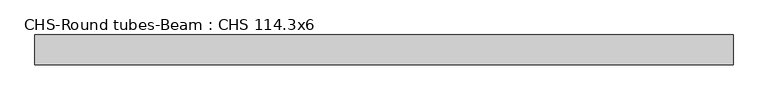
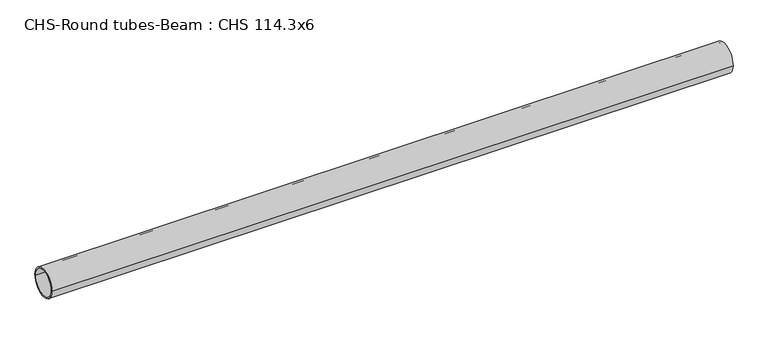
"""IFC4 building model written with IfcOpenShell, lengths in millimetres: beam geometry, CHS-Round tubes-Beam : CHS 114.3x6."""

from ifc_helpers import new_model, si_unit, point, frame, origin, origin_2d, place, context, project, spatial, circle_curve, trimmed, segment, composite_curve, outline, extrude, source, transform, mapped, element, save


def chs_round_tubes_beam_chs_114_3x6_4bb00583(model_context):
    return source(origin(), model_context, "Body", "SweptSolid", [
        extrude(outline(composite_curve([segment(trimmed(circle_curve(origin_2d(), 57.15), [point((57.15, 0.0))], [point((-57.15, 0.0))], False, "CARTESIAN"), True, "CONTINUOUS"), segment(trimmed(circle_curve(origin_2d(), 57.15), [point((-57.15, 0.0))], [point((57.15, 0.0))], False, "CARTESIAN"), True, "CONTINUOUS")], self_intersect=False), holes=[composite_curve([segment(trimmed(circle_curve(origin_2d(), 51.15), [point((51.15, 0.0))], [point((-51.15, 0.0))], True, "CARTESIAN"), True, "CONTINUOUS"), segment(trimmed(circle_curve(origin_2d(), 51.15), [point((-51.15, 0.0))], [point((51.15, 0.0))], True, "CARTESIAN"), True, "CONTINUOUS")], self_intersect=False)]), frame((-1293.602622, 0.0, 0.0), z_axis=(1.0, 0.0, 0.0), x_axis=(0.0, 1.0, 0.0)), (0.0, 0.0, 1.0), 2662.0327013),
    ])


if __name__ == "__main__":
    model = new_model("IFC4")
    model_context = context("Model", 3, world=origin())
    ifc_project = project(units=[si_unit("LENGTHUNIT", "METRE", prefix="MILLI")], contexts=[model_context])
    site = spatial("IfcSite", under=ifc_project)
    building = spatial("IfcBuilding", under=site)
    placement = place(None, origin())
    chs_round_tubes_beam_chs_114_3x6_shape = chs_round_tubes_beam_chs_114_3x6_4bb00583(model_context)
    element("IfcBeam", 1, ObjectType="CHS-Round tubes-Beam : CHS 114.3x6", at=placement, inside=building, context=model_context, shape_type="MappedRepresentation", body=[
        mapped(chs_round_tubes_beam_chs_114_3x6_shape, transform((0.0, 0.0, 0.0), x_axis=(1.0, 0.0, 0.0), y_axis=(0.0, 1.0, 0.0), z_axis=(0.0, 0.0, 1.0))),
    ])
    save(model, "model.ifc")
